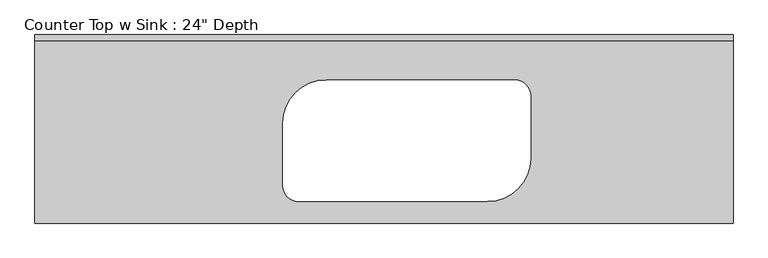
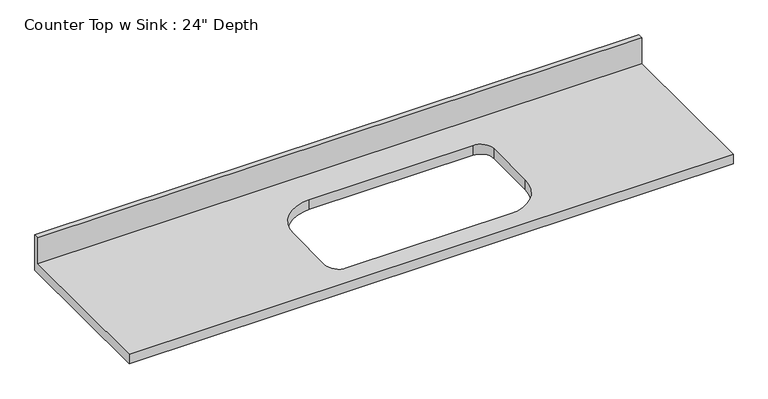
"""IFC4 building model written with IfcOpenShell, lengths in millimetres: furniture geometry."""

from ifc_helpers import new_model, si_unit, frame, origin, place, context, project, spatial, polyline, circle_curve, source, transform, mapped, element, save
from ifc_brep_helpers import plane_surface, revolved_surface, advanced_brep


def furniture_e124fe0e(model_context):
    return source(origin(), model_context, "Body", "AdvancedBrep", [
        advanced_brep(
        [(-1200.4622951, -609.6, 914.4), (1055.3752049, -609.6, 914.4), (1055.3752049, -19.05, 914.4), (-1200.4622951, -19.05, 914.4), (-259.5872951, -146.05, 914.4), (350.0127049, -146.05, 914.4), (400.8127049, -196.85, 914.4), (400.8127049, -400.05, 914.4), (261.1127049, -539.75, 914.4), (-348.4872951, -539.75, 914.4), (-399.2872951, -488.95, 914.4), (-399.2872951, -285.75, 914.4), (1055.3752049, 0.0, 876.3), (1055.3752049, -609.6, 876.3), (-1200.4622951, -609.6, 876.3), (-1200.4622951, 0.0, 876.3), (350.0127049, -146.05, 876.3), (-259.5872951, -146.05, 876.3), (-399.2872951, -285.75, 876.3), (-399.2872951, -488.95, 876.3), (-348.4872951, -539.75, 876.3), (261.1127049, -539.75, 876.3), (400.8127049, -400.05, 876.3), (400.8127049, -196.85, 876.3), (-1200.4622951, 0.0, 1016.0), (1055.3752049, 0.0, 1016.0), (-1200.4622951, -19.05, 1016.0), (1055.3752049, -19.05, 1016.0)],
        [
            (0, 1),
            (1, 2),
            (2, 3),
            (3, 0),
            (4, 5),
            (5, 6, circle_curve(frame((350.0127049, -196.85, 914.4), z_axis=(0.0, 0.0, -1.0), x_axis=(1.0, 0.0, 0.0)), 50.8)),
            (6, 7),
            (7, 8, circle_curve(frame((261.1127049, -400.05, 914.4), z_axis=(0.0, 0.0, -1.0), x_axis=(1.0, 0.0, 0.0)), 139.7)),
            (8, 9),
            (9, 10, circle_curve(frame((-348.4872951, -488.95, 914.4), z_axis=(0.0, 0.0, -1.0), x_axis=(1.0, 0.0, 0.0)), 50.8)),
            (10, 11),
            (11, 4, circle_curve(frame((-259.5872951, -285.75, 914.4), z_axis=(0.0, 0.0, -1.0), x_axis=(1.0, 0.0, 0.0)), 139.7)),
            (12, 13),
            (13, 14),
            (14, 15),
            (15, 12),
            (16, 17),
            (17, 18, circle_curve(frame((-259.5872951, -285.75, 876.3), z_axis=(0.0, 0.0, 1.0), x_axis=(1.0, 0.0, 0.0)), 139.7)),
            (18, 19),
            (19, 20, circle_curve(frame((-348.4872951, -488.95, 876.3), z_axis=(0.0, 0.0, 1.0), x_axis=(1.0, 0.0, 0.0)), 50.8)),
            (20, 21),
            (21, 22, circle_curve(frame((261.1127049, -400.05, 876.3), z_axis=(0.0, 0.0, 1.0), x_axis=(1.0, 0.0, 0.0)), 139.7)),
            (22, 23),
            (23, 16, circle_curve(frame((350.0127049, -196.85, 876.3), z_axis=(0.0, 0.0, 1.0), x_axis=(1.0, 0.0, 0.0)), 50.8)),
            (15, 24),
            (24, 25),
            (25, 12),
            (14, 0),
            (3, 26),
            (26, 24),
            (13, 1),
            (25, 27),
            (27, 2),
            (26, 27),
            (4, 17),
            (16, 5),
            (11, 18),
            (10, 19),
            (9, 20),
            (8, 21),
            (7, 22),
            (6, 23),
        ],
        [
            plane_surface(frame((-1200.4622951, 0.0, 914.4), z_axis=(0.0, 0.0, 1.0), x_axis=(-1.0, 0.0, 0.0))),
            plane_surface(frame((-1200.4622951, 0.0, 876.3), z_axis=(0.0, 0.0, -1.0), x_axis=(1.0, 0.0, 0.0))),
            plane_surface(frame((1055.3752049, 0.0, 914.4), z_axis=(0.0, 1.0, 0.0), x_axis=(0.0, 0.0, -1.0))),
            plane_surface(frame((-1200.4622951, 0.0, 914.4), z_axis=(-1.0, 0.0, 0.0), x_axis=(0.0, 0.0, -1.0))),
            plane_surface(frame((-1200.4622951, -609.6, 914.4), z_axis=(0.0, -1.0, 0.0), x_axis=(0.0, 0.0, -1.0))),
            plane_surface(frame((1055.3752049, -609.6, 914.4), z_axis=(1.0, 0.0, 0.0), x_axis=(0.0, 0.0, -1.0))),
            plane_surface(frame((-1200.4622951, 0.0, 1016.0), z_axis=(0.0, 0.0, 1.0), x_axis=(0.0, -1.0, 0.0))),
            plane_surface(frame((-1200.4622951, -19.05, 1016.0), z_axis=(0.0, -1.0, 0.0), x_axis=(0.0, 0.0, -1.0))),
            plane_surface(frame((350.0127049, -146.05, 914.4), z_axis=(0.0, -1.0, 0.0), x_axis=(0.0, 0.0, -1.0))),
            revolved_surface(polyline([(-119.88729510000002, -285.75, 914.4), (-119.88729510000002, -285.75, 876.3)]), (-259.5872951, -285.75, 876.3), (0.0, 0.0, 1.0)),
            plane_surface(frame((-399.2872951, -285.75, 914.4), z_axis=(1.0, 0.0, 0.0), x_axis=(0.0, 0.0, -1.0))),
            revolved_surface(polyline([(-297.6872951, -488.95, 914.4), (-297.6872951, -488.95, 876.3)]), (-348.4872951, -488.95, 876.3), (0.0, 0.0, 1.0)),
            plane_surface(frame((-348.4872951, -539.75, 914.4), z_axis=(0.0, 1.0, 0.0), x_axis=(0.0, 0.0, -1.0))),
            revolved_surface(polyline([(400.81270489999997, -400.05, 914.4), (400.81270489999997, -400.05, 876.3)]), (261.1127049, -400.05, 876.3), (0.0, 0.0, 1.0)),
            plane_surface(frame((400.8127049, -400.05, 914.4), z_axis=(-1.0, 0.0, 0.0), x_axis=(0.0, 0.0, -1.0))),
            revolved_surface(polyline([(400.8127049, -196.85, 914.4), (400.8127049, -196.85, 876.3)]), (350.0127049, -196.85, 876.3), (0.0, 0.0, 1.0)),
        ],
        [
            (0, [[1, 2, 3, 4], [5, 6, 7, 8, 9, 10, 11, 12]]),
            (1, [[13, 14, 15, 16], [17, 18, 19, 20, 21, 22, 23, 24]]),
            (2, [[-16, 25, 26, 27]]),
            (3, [[-15, 28, -4, 29, 30, -25]]),
            (4, [[-1, -28, -14, 31]]),
            (5, [[-13, -27, 32, 33, -2, -31]]),
            (6, [[-30, 34, -32, -26]]),
            (7, [[-34, -29, -3, -33]]),
            (8, [[35, -17, 36, -5]]),
            (9, [[-35, -12, 37, -18]]),
            (10, [[-37, -11, 38, -19]]),
            (11, [[-38, -10, 39, -20]]),
            (12, [[-39, -9, 40, -21]]),
            (13, [[-40, -8, 41, -22]]),
            (14, [[-41, -7, 42, -23]]),
            (15, [[-36, -24, -42, -6]]),
        ],
    ),
    ])


if __name__ == "__main__":
    model = new_model("IFC4")
    model_context = context("Model", 3, world=origin())
    ifc_project = project(units=[si_unit("LENGTHUNIT", "METRE", prefix="MILLI")], contexts=[model_context])
    site = spatial("IfcSite", under=ifc_project)
    building = spatial("IfcBuilding", under=site)
    placement = place(None, origin())
    furniture_shape = furniture_e124fe0e(model_context)
    element("IfcFurniture", 1, ObjectType="Counter Top w Sink : 24\" Depth", at=placement, inside=building, context=model_context, shape_type="MappedRepresentation", body=[
        mapped(furniture_shape, transform((0.0, 0.0, 0.0), x_axis=(1.0, 0.0, 0.0), y_axis=(0.0, 1.0, 0.0), z_axis=(0.0, 0.0, 1.0))),
    ])
    save(model, "model.ifc")
